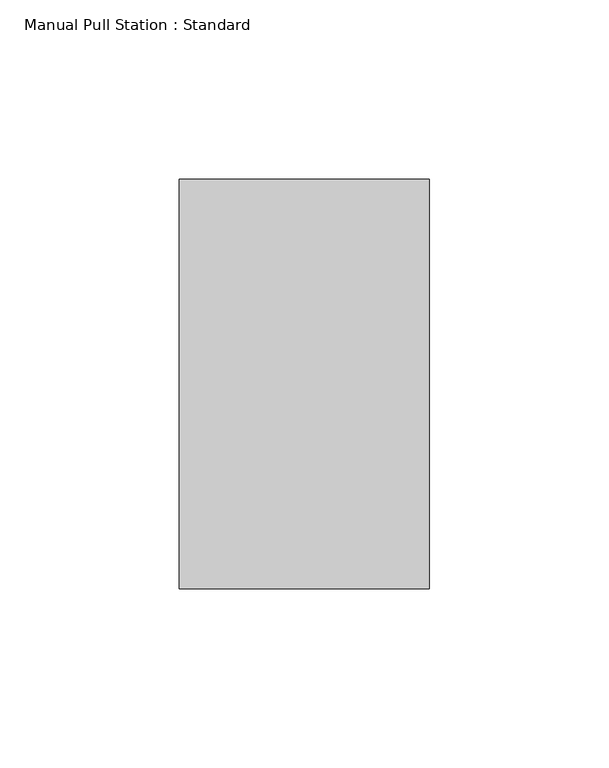
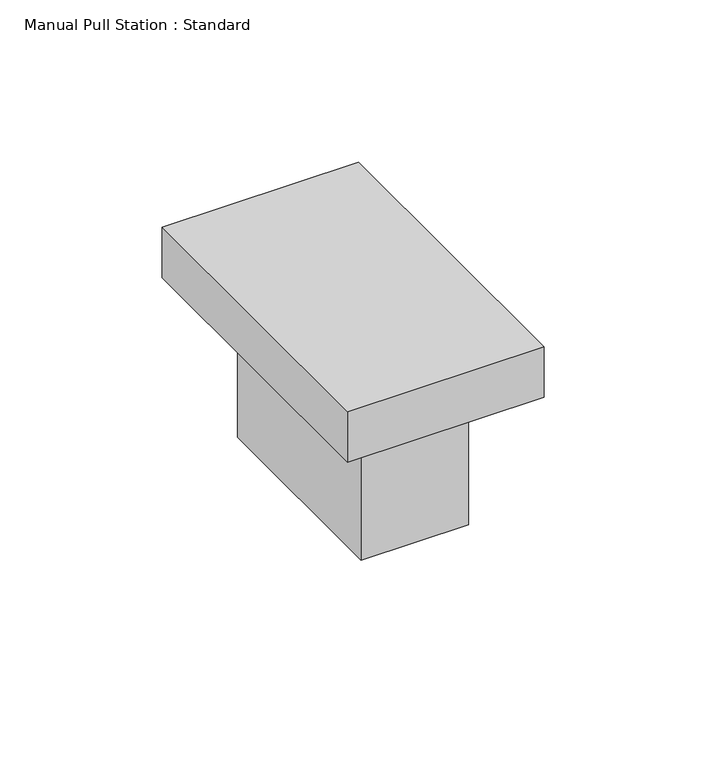
"""IFC4 building model written with IfcOpenShell, lengths in millimetres: alarm geometry, Manual Pull Station : Standard."""

import ifcopenshell
import ifcopenshell.guid

model = None  # the IFC model being written
_history = None  # IfcOwnerHistory: only IFC2X3 demands one
_inside = {}  # id of a spatial element -> (the spatial element, [elements in it])
_under = {}  # id of a project, library or spatial element -> (it, [spatial elements below it])
_declared = {}  # id of a project -> (the project, [libraries it declares])
_typed = {}  # id of a type object -> (the type object, [elements of that type])
_made_of = {}  # id of a material, layer set ... -> (it, [elements and type objects made of it])


def new_model(schema):
    """Start an empty IFC model of exactly this schema.

    Asked for "IFC4X3", IfcOpenShell would pick the latest addendum, in which some entities
    have other attributes; the version numbers below select the first issue.
    IFC2X3 requires an IfcOwnerHistory on every rooted entity: one is made here for all.
    """
    global model, _history
    if schema == "IFC4X3":
        model = ifcopenshell.file(schema_version=(4, 3, 0, 0))
    else:
        model = ifcopenshell.file(schema=schema)
    _inside.clear()
    _under.clear()
    _declared.clear()
    _typed.clear()
    _made_of.clear()
    _history = None
    if model.schema == "IFC2X3":
        org = make("IfcOrganization", Name="unknown")
        user = make(
            "IfcPersonAndOrganization",
            ThePerson=make("IfcPerson", FamilyName="unknown"),
            TheOrganization=org,
        )
        app = make(
            "IfcApplication",
            ApplicationDeveloper=org,
            Version="unknown",
            ApplicationFullName="unknown",
            ApplicationIdentifier="unknown",
        )
        _history = make(
            "IfcOwnerHistory",
            OwningUser=user,
            OwningApplication=app,
            ChangeAction="ADDED",
            CreationDate=0,
        )
    return model


def make(cls, **values):
    """One entity of the class cls with the attributes given. An attribute that is None is left unset."""
    return model.create_entity(
        cls, **{name: value for name, value in values.items() if value is not None}
    )


def rooted(cls, **values):
    """An entity with a GlobalId (a new one), such as an element, a storey or a relation."""
    return make(cls, GlobalId=ifcopenshell.guid.new(), OwnerHistory=_history, **values)


def si_unit(unit_type, name, prefix=None):
    """IfcSIUnit, for example si_unit("LENGTHUNIT", "METRE", prefix="MILLI")."""
    return make("IfcSIUnit", UnitType=unit_type, Prefix=prefix, Name=name)


def assignment(units):
    """IfcUnitAssignment: the units of a project."""
    return None if units is None else make("IfcUnitAssignment", Units=units)


def point(xyz):
    """IfcCartesianPoint."""
    return None if xyz is None else make("IfcCartesianPoint", Coordinates=xyz)


def direction(xyz):
    """IfcDirection."""
    return None if xyz is None else make("IfcDirection", DirectionRatios=xyz)


def frame(location, z_axis=None, x_axis=None):
    """IfcAxis2Placement3D, a coordinate frame: its origin and axes. An axis left out is left unset."""
    return make(
        "IfcAxis2Placement3D",
        Location=point(location),
        Axis=direction(z_axis),
        RefDirection=direction(x_axis),
    )


def origin():
    """The frame at (0, 0, 0) with its axes left unset."""
    return frame((0.0, 0.0, 0.0))


def origin_with_axes():
    """The frame at (0, 0, 0) with the z axis (0, 0, 1) and the x axis (1, 0, 0) written out."""
    return frame((0.0, 0.0, 0.0), z_axis=(0.0, 0.0, 1.0), x_axis=(1.0, 0.0, 0.0))


def place(relative_to, where):
    """IfcLocalPlacement: puts the frame where relative to a parent placement (None: the world)."""
    return make(
        "IfcLocalPlacement", PlacementRelTo=relative_to, RelativePlacement=where
    )


def context(
    kind, dimensions, precision=None, world=None, true_north=None, identifier=None
):
    """IfcGeometricRepresentationContext, for example the 3D "Model" context."""
    return make(
        "IfcGeometricRepresentationContext",
        ContextIdentifier=identifier,
        ContextType=kind,
        CoordinateSpaceDimension=dimensions,
        Precision=precision,
        WorldCoordinateSystem=world,
        TrueNorth=true_north,
    )


def project(units=None, contexts=None):
    """IfcProject with its units and contexts."""
    return rooted(
        "IfcProject",
        Name="project",
        RepresentationContexts=contexts,
        UnitsInContext=assignment(units),
    )


def spatial(cls, under=None, at=None, **own):
    """A site, building, storey or space (cls), placed at a placement, below another one or the project."""
    s = rooted(cls, ObjectPlacement=at, **own)
    if under is not None:
        _under.setdefault(under.id(), (under, []))[1].append(s)
    return s


def polyline(points):
    """IfcPolyline through the points."""
    return make("IfcPolyline", Points=[point(p) for p in points])


def outline(outer, holes=None, kind="AREA"):
    """IfcArbitraryClosedProfileDef: a profile drawn as a closed curve; with holes, ...WithVoids."""
    if holes is None:
        return make("IfcArbitraryClosedProfileDef", ProfileType=kind, OuterCurve=outer)
    return make(
        "IfcArbitraryProfileDefWithVoids",
        ProfileType=kind,
        OuterCurve=outer,
        InnerCurves=holes,
    )


def extrude(swept, where, along, depth):
    """IfcExtrudedAreaSolid: the profile swept, set in the frame where, extruded along a direction by depth."""
    return make(
        "IfcExtrudedAreaSolid",
        SweptArea=swept,
        Position=where,
        ExtrudedDirection=direction(along),
        Depth=depth,
    )


def shape(context_of_items, identifier, shape_type, items):
    """IfcShapeRepresentation: the items that make up one representation, for example the "Body"."""
    return make(
        "IfcShapeRepresentation",
        ContextOfItems=context_of_items,
        RepresentationIdentifier=identifier,
        RepresentationType=shape_type,
        Items=items,
    )


def source(mapping_origin, context_of_items, identifier, shape_type, items):
    """IfcRepresentationMap: a shape defined once, which mapped items show again and again."""
    return make(
        "IfcRepresentationMap",
        MappingOrigin=mapping_origin,
        MappedRepresentation=shape(context_of_items, identifier, shape_type, items),
    )


def transform(
    local_origin,
    x_axis=None,
    y_axis=None,
    z_axis=None,
    scale=None,
    scale2=None,
    scale3=None,
    uniform=True,
):
    """IfcCartesianTransformationOperator3D, or its non-uniform kind. x_axis, y_axis, z_axis: its Axis1, 2, 3."""
    if uniform:
        return make(
            "IfcCartesianTransformationOperator3D",
            Axis1=direction(x_axis),
            Axis2=direction(y_axis),
            LocalOrigin=point(local_origin),
            Scale=scale,
            Axis3=direction(z_axis),
        )
    return make(
        "IfcCartesianTransformationOperator3DnonUniform",
        Axis1=direction(x_axis),
        Axis2=direction(y_axis),
        LocalOrigin=point(local_origin),
        Scale=scale,
        Axis3=direction(z_axis),
        Scale2=scale2,
        Scale3=scale3,
    )


def mapped(mapping_source, mapping_target):
    """IfcMappedItem: shows the shape of a source again, moved by a transform."""
    return make(
        "IfcMappedItem", MappingSource=mapping_source, MappingTarget=mapping_target
    )


def made_of(thing, what):
    """Note that an element or type object is made of a material, layer set ...; save() writes the relation."""
    if what is not None:
        _made_of.setdefault(what.id(), (what, []))[1].append(thing)
    return thing


def element(
    cls,
    number,
    at=None,
    inside=None,
    cuts=None,
    type_object=None,
    material=None,
    context=None,
    identifier="Body",
    shape_type=None,
    held_by="IfcProductDefinitionShape",
    body=None,
    shapes=None,
    **own,
):
    """One element of the class cls, such as IfcWall. Its Tag is "e" and its number.

    at: its placement. inside: the storey or other place that contains it. cuts: it is an
    opening in that element (IfcRelVoidsElement). A single representation is given by context,
    identifier, shape_type and body (its items); several are given by shapes. held_by: the class
    of the entity that holds the representations. save() writes the other relations.
    """
    e = rooted(cls, Tag="e%d" % number, ObjectPlacement=at, **own)
    if body is not None:
        shapes = [shape(context, identifier, shape_type, body)]
    if shapes is not None:
        e.Representation = make(held_by, Representations=shapes)
    if inside is not None:
        _inside.setdefault(inside.id(), (inside, []))[1].append(e)
    if cuts is not None:
        rooted(
            "IfcRelVoidsElement", RelatingBuildingElement=cuts, RelatedOpeningElement=e
        )
    if type_object is not None:
        _typed.setdefault(type_object.id(), (type_object, []))[1].append(e)
    return made_of(e, material)


def aggregate(whole, parts):
    """IfcRelAggregates: a whole, such as a stair, and the parts it consists of."""
    return rooted("IfcRelAggregates", RelatingObject=whole, RelatedObjects=parts)


def save(model, path):
    """Write the relations noted so far, then the file.

    IfcRelAggregates (storeys below a building ...), IfcRelContainedInSpatialStructure (elements
    in a storey), IfcRelDefinesByType, IfcRelAssociatesMaterial and IfcRelDeclares: one each for
    every whole, place, type object, material and project.
    """
    for whole, parts in _under.values():
        aggregate(whole, parts)
    for where, things in _inside.values():
        rooted(
            "IfcRelContainedInSpatialStructure",
            RelatedElements=things,
            RelatingStructure=where,
        )
    for kind, things in _typed.values():
        rooted("IfcRelDefinesByType", RelatedObjects=things, RelatingType=kind)
    for what, things in _made_of.values():
        rooted("IfcRelAssociatesMaterial", RelatedObjects=things, RelatingMaterial=what)
    for by, libraries in _declared.values():
        rooted("IfcRelDeclares", RelatingContext=by, RelatedDefinitions=libraries)
    model.write(path)


def manual_pull_station_standard_cde35b0a(model_context):
    return source(origin(), model_context, "Body", "SweptSolid", [
        extrude(outline(polyline([(34.925, 57.15), (34.925, -57.15), (-34.925, -57.15), (-34.925, 57.15), (34.925, 57.15)])), origin_with_axes(), (0.0, 0.0, 1.0), 19.05),
        extrude(outline(polyline([(19.05, 38.1), (19.05, -38.1), (-19.05, -38.1), (-19.05, 38.1), (19.05, 38.1)])), frame((0.0, 0.0, -53.975), z_axis=(0.0, 0.0, 1.0), x_axis=(1.0, 0.0, 0.0)), (0.0, 0.0, 1.0), 53.975),
    ])


if __name__ == "__main__":
    model = new_model("IFC4")
    model_context = context("Model", 3, world=origin())
    ifc_project = project(units=[si_unit("LENGTHUNIT", "METRE", prefix="MILLI")], contexts=[model_context])
    site = spatial("IfcSite", under=ifc_project)
    building = spatial("IfcBuilding", under=site)
    placement = place(None, origin())
    manual_pull_station_standard_shape = manual_pull_station_standard_cde35b0a(model_context)
    element("IfcAlarm", 1, ObjectType="Manual Pull Station : Standard", at=placement, inside=building, context=model_context, shape_type="MappedRepresentation", body=[
        mapped(manual_pull_station_standard_shape, transform((0.0, 0.0, 0.0), x_axis=(1.0, 0.0, 0.0), y_axis=(0.0, 1.0, 0.0), z_axis=(0.0, 0.0, 1.0))),
    ])
    save(model, "model.ifc")
